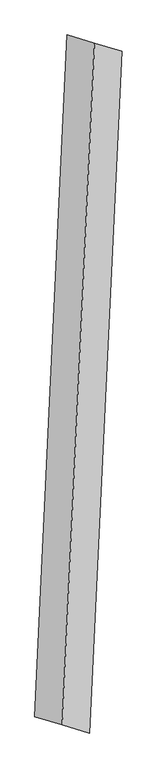
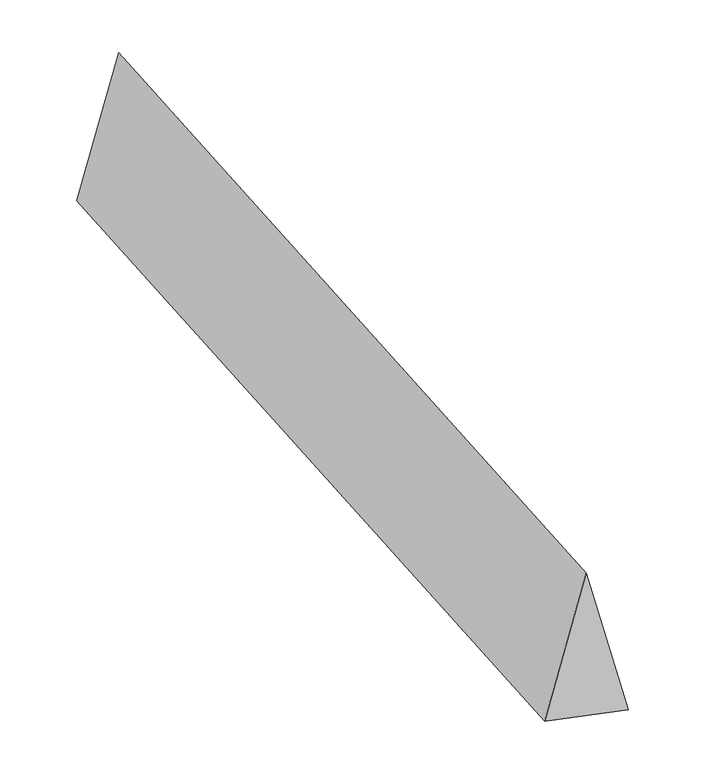
"""IFC4 building model written with IfcOpenShell, lengths in millimetres: proxy geometry."""

from ifc_helpers import new_model, si_unit, origin, place, context, project, spatial, faceted_brep, source, transform, mapped, element, save


def generic_models_5df3a97f(model_context):
    return source(origin(), model_context, "Body", "Brep", [
        faceted_brep([(-97.8083041, -2056.4802993, 700.0), (67.8487558, -2105.3929689, 0.0), (263.4653641, 2007.5676298, 0.0), (97.8083041, 2056.4802993, 700.0), (-263.4653641, -2007.5676298, 0.0), (-67.8487558, 2105.3929689, 0.0)], [[[0, 1, 2, 3]], [[1, 4, 5, 2]], [[4, 0, 3, 5]], [[3, 2, 5]], [[0, 4, 1]]]),
    ])


if __name__ == "__main__":
    model = new_model("IFC4")
    model_context = context("Model", 3, world=origin())
    ifc_project = project(units=[si_unit("LENGTHUNIT", "METRE", prefix="MILLI")], contexts=[model_context])
    site = spatial("IfcSite", under=ifc_project)
    building = spatial("IfcBuilding", under=site)
    placement = place(None, origin())
    generic_models_shape = generic_models_5df3a97f(model_context)
    element("IfcBuildingElementProxy", 1, Name="Generic Models", at=placement, inside=building, context=model_context, shape_type="MappedRepresentation", body=[
        mapped(generic_models_shape, transform((0.0, 0.0, 0.0), x_axis=(1.0, 0.0, 0.0), y_axis=(0.0, 1.0, 0.0), z_axis=(0.0, 0.0, 1.0))),
    ])
    save(model, "model.ifc")
